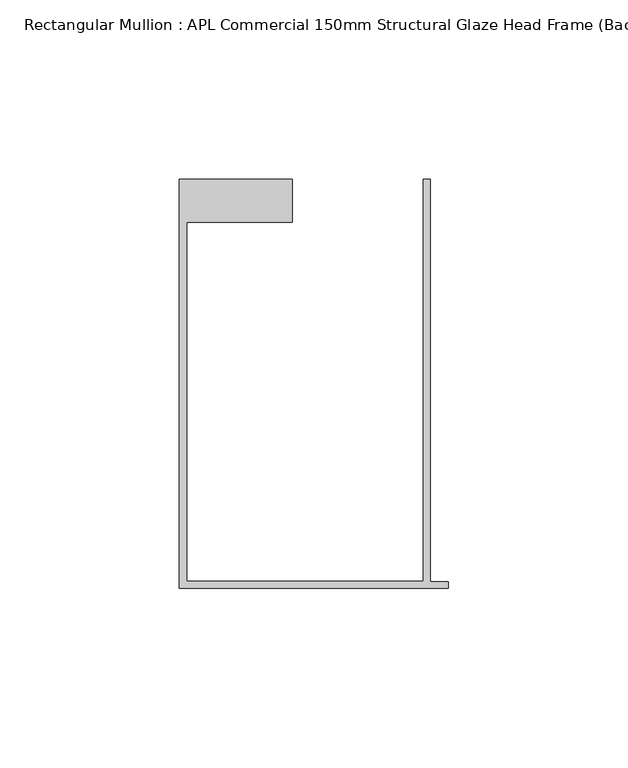
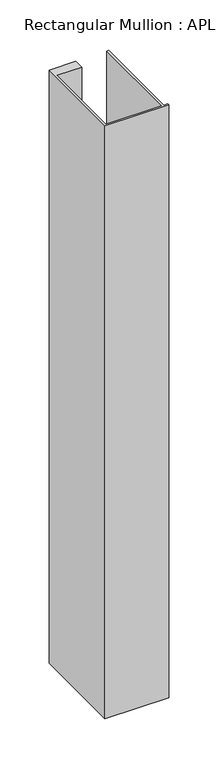
"""IFC4 building model written with IfcOpenShell, lengths in millimetres: member geometry, Rectangular Mullion : APL Commercial 150mm Structural Glaze Head Frame (Back)."""

from ifc_helpers import new_model, si_unit, frame, origin, place, context, project, spatial, polyline, outline, extrude, source, transform, mapped, element, save


def rectangular_mullion_apl_commercial_150mm_structural_glaze_26ba7cbf(model_context):
    return source(origin(), model_context, "Body", "SweptSolid", [
        extrude(outline(polyline([(-75.0, -128.9993063), (-75.0, -14.9998342), (-43.5000151, -14.9998342), (-43.5000151, -26.9997514), (-73.0, -26.9997514), (-73.0, -126.9993063), (-7.0, -126.9993063), (-7.0, -14.9998342), (-5.0, -14.9998342), (-5.0, -127.1993063), (0.0, -127.1993063), (0.0, -128.9993063), (-75.0, -128.9993063)])), frame((0.0, 0.0, -738.384151), z_axis=(0.0, 0.0, 1.0), x_axis=(1.0, 0.0, 0.0)), (0.0, 0.0, 1.0), 738.384151),
    ])


if __name__ == "__main__":
    model = new_model("IFC4")
    model_context = context("Model", 3, world=origin())
    ifc_project = project(units=[si_unit("LENGTHUNIT", "METRE", prefix="MILLI")], contexts=[model_context])
    site = spatial("IfcSite", under=ifc_project)
    building = spatial("IfcBuilding", under=site)
    placement = place(None, origin())
    rectangular_mullion_apl_commercial_150mm_structural_glaze_shape = rectangular_mullion_apl_commercial_150mm_structural_glaze_26ba7cbf(model_context)
    element("IfcMember", 1, ObjectType="Rectangular Mullion : APL Commercial 150mm Structural Glaze Head Frame (Back)", at=placement, inside=building, context=model_context, shape_type="MappedRepresentation", body=[
        mapped(rectangular_mullion_apl_commercial_150mm_structural_glaze_shape, transform((0.0, 0.0, 0.0), x_axis=(1.0, 0.0, 0.0), y_axis=(0.0, 1.0, 0.0), z_axis=(0.0, 0.0, 1.0))),
    ])
    save(model, "model.ifc")
